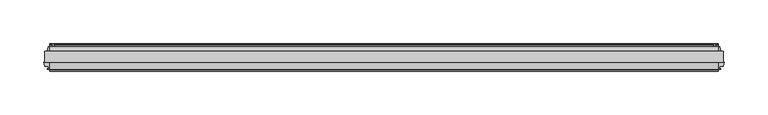
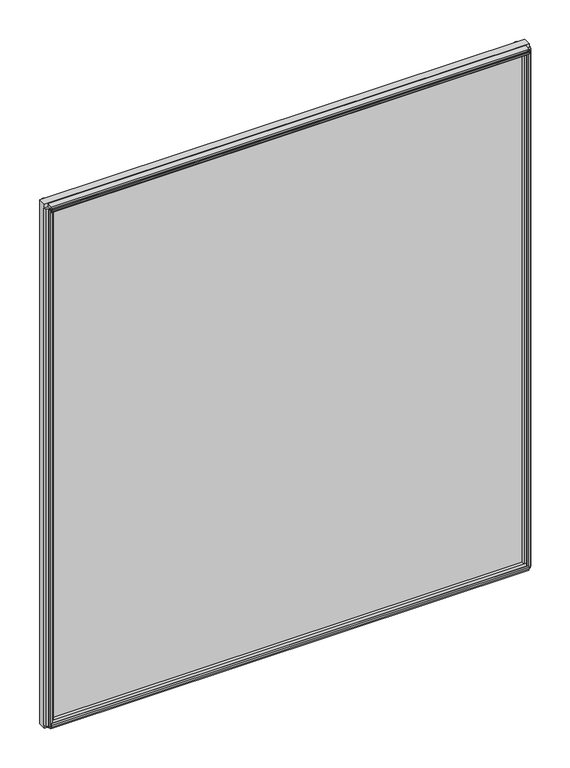
"""IFC4 building model written with IfcOpenShell, lengths in millimetres: plate geometry."""

from ifc_helpers import new_model, si_unit, frame, origin, place, context, project, spatial, polyline, outline, extrude, source, transform, mapped, element, save


def plate_4f96508c(model_context):
    return source(origin(), model_context, "Body", "SweptSolid", [
        extrude(outline(polyline([(388.7930103, -0.0460375), (388.7930103, -12.8984375), (-388.7930103, -12.8984375), (-388.7930103, -0.0460375), (388.7930103, -0.0460375)])), frame((0.0, 0.0, -25.4), z_axis=(0.0, 0.0, 1.0), x_axis=(1.0, 0.0, 0.0)), (0.0, 0.0, 1.0), 888.0258326),
        extrude(outline(polyline([(-12.8984375, -25.4341173), (-20.5530511, -23.3621005), (-19.4420445, -19.2157673), (-21.9423316, -18.0461931), (-22.0980007, -19.6085386), (-22.8831052, -19.3981705), (-22.6708491, -17.0358109), (-21.6734885, -14.8838195), (-20.888384, -15.0941876), (-21.5347434, -16.5250531), (-18.7846441, -16.7623157), (-17.6736375, -12.6159825), (-12.8984375, -11.6170674), (-12.8984375, -25.4341173)])), frame((-383.2367603, 0.0, 0.0), z_axis=(1.0, 0.0, 0.0), x_axis=(0.0, 1.0, 0.0)), (0.0, 0.0, 1.0), 766.4735205),
        extrude(outline(polyline([(4.8053625, -20.1814047), (-0.0460375, -21.4148115), (-0.0460375, -7.822798), (4.8053625, -9.0562047), (4.8053625, -13.3488047), (7.5231625, -13.8314047), (7.2691625, -12.2820047), (8.0819625, -12.2820047), (8.4883625, -14.6188047), (8.0819625, -16.9556047), (7.2691625, -16.9556047), (7.5231625, -15.4062047), (4.8053625, -15.8888047), (4.8053625, -20.1814047)])), frame((-383.2367603, 0.0, 0.0), z_axis=(1.0, 0.0, 0.0), x_axis=(0.0, 1.0, 0.0)), (0.0, 0.0, 1.0), 766.4735205),
        extrude(outline(polyline([(-12.8984375, 862.6599499), (-12.8984375, 848.8429), (-17.6736375, 849.8418151), (-18.7846441, 853.9881483), (-21.5347434, 853.7508857), (-20.888384, 852.3200203), (-21.6734885, 852.1096521), (-22.6708491, 854.2616435), (-22.8831052, 856.6240031), (-22.0980007, 856.8343712), (-21.9423316, 855.2720257), (-19.4420445, 856.4415999), (-20.5530511, 860.5879331), (-12.8984375, 862.6599499)])), frame((-383.2367603, 0.0, 0.0), z_axis=(1.0, 0.0, 0.0), x_axis=(0.0, 1.0, 0.0)), (0.0, 0.0, 1.0), 766.4735205),
        extrude(outline(polyline([(4.8053625, 857.4072374), (4.8053625, 853.1146374), (7.5231625, 852.6320374), (7.2691625, 854.1814374), (8.0819625, 854.1814374), (8.4883625, 851.8446374), (8.0819625, 849.5078374), (7.2691625, 849.5078374), (7.5231625, 851.0572374), (4.8053625, 850.5746374), (4.8053625, 846.2820374), (-0.0460375, 845.0486306), (-0.0460375, 858.6406441), (4.8053625, 857.4072374)])), frame((-383.2367603, 0.0, 0.0), z_axis=(1.0, 0.0, 0.0), x_axis=(0.0, 1.0, 0.0)), (0.0, 0.0, 1.0), 766.4735205),
        extrude(outline(polyline([(382.4395632, -20.2926598), (381.9472461, -17.5766032), (377.668971, -17.5766032), (376.4796069, -12.8984375), (389.9812136, -12.8984375), (388.7941591, -17.5675189), (384.4872298, -17.5675189), (384.0143532, -20.2870275), (385.5672103, -20.0267543), (385.5672103, -20.8400217), (383.2304103, -21.2550375), (380.8936103, -20.8572426), (380.8936103, -20.0448993), (382.4395632, -20.2926598)])), frame((0.0, 0.0, -19.84375), z_axis=(0.0, 0.0, 1.0), x_axis=(1.0, 0.0, 0.0)), (0.0, 0.0, 1.0), 876.9133326),
        extrude(outline(polyline([(379.7979532, 7.6219525), (380.2734994, 4.8870913), (384.5816623, 4.8870913), (385.8358475, -0.0460375), (372.192173, -0.0460375), (373.4525591, 4.9114812), (377.7308375, 4.9114812), (378.2231632, 7.6275848), (376.6757717, 7.3791279), (376.6757717, 8.1919227), (379.0140103, 8.5899625), (381.3493418, 8.1752075), (381.3464348, 7.3624127), (379.7979532, 7.6219525)])), frame((0.0, 0.0, -19.84375), z_axis=(0.0, 0.0, 1.0), x_axis=(1.0, 0.0, 0.0)), (0.0, 0.0, 1.0), 876.9133326),
        extrude(outline(polyline([(-384.0143532, -20.2870275), (-384.4898994, -17.5521663), (-388.7980623, -17.5521663), (-389.9785902, -12.9087562), (-376.4822303, -12.9087562), (-377.6689591, -17.5765562), (-381.9472375, -17.5765562), (-382.4395632, -20.2926598), (-380.8921717, -20.0442029), (-380.8921717, -20.8569977), (-383.2304103, -21.2550375), (-385.5657418, -20.8402825), (-385.5628348, -20.0274877), (-384.0143532, -20.2870275)])), frame((0.0, 0.0, -19.84375), z_axis=(0.0, 0.0, 1.0), x_axis=(1.0, 0.0, 0.0)), (0.0, 0.0, 1.0), 876.9133326),
        extrude(outline(polyline([(-378.2300673, 7.6219525), (-377.7545211, 4.8870913), (-373.4463583, 4.8870913), (-372.192173, -0.0460375), (-385.8358475, -0.0460375), (-384.5754614, 4.9114812), (-380.297183, 4.9114812), (-379.8048573, 7.6275848), (-381.3522488, 7.3791279), (-381.3522488, 8.1919227), (-379.0140103, 8.5899625), (-376.6786787, 8.1752075), (-376.6815857, 7.3624127), (-378.2300673, 7.6219525)])), frame((0.0, 0.0, -19.84375), z_axis=(0.0, 0.0, 1.0), x_axis=(1.0, 0.0, 0.0)), (0.0, 0.0, 1.0), 876.9133326),
    ])


if __name__ == "__main__":
    model = new_model("IFC4")
    model_context = context("Model", 3, world=origin())
    ifc_project = project(units=[si_unit("LENGTHUNIT", "METRE", prefix="MILLI")], contexts=[model_context])
    site = spatial("IfcSite", under=ifc_project)
    building = spatial("IfcBuilding", under=site)
    placement = place(None, origin())
    plate_shape = plate_4f96508c(model_context)
    element("IfcPlate", 1, at=placement, inside=building, context=model_context, shape_type="MappedRepresentation", body=[
        mapped(plate_shape, transform((0.0, 0.0, 0.0), x_axis=(1.0, 0.0, 0.0), y_axis=(0.0, 1.0, 0.0), z_axis=(0.0, 0.0, 1.0))),
    ])
    save(model, "model.ifc")
